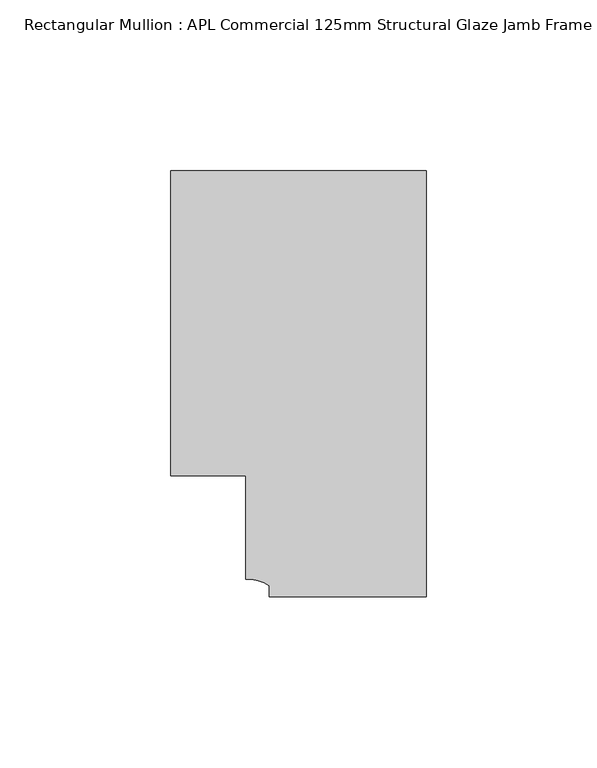
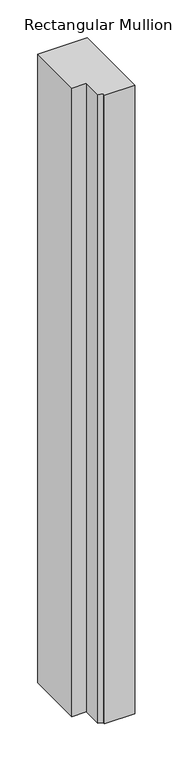
"""IFC4 building model written with IfcOpenShell, lengths in millimetres: member geometry, Rectangular Mullion : APL Commercial 125mm Structural Glaze Jamb Frame (left)."""

from ifc_helpers import new_model, si_unit, point, frame, frame_2d, origin, place, context, project, spatial, polyline, circle_curve, trimmed, segment, composite_curve, outline, extrude, source, transform, mapped, element, save


def rectangular_mullion_apl_commercial_125mm_structural_glaze_a7ed5c55(model_context):
    return source(origin(), model_context, "Body", "SweptSolid", [
        extrude(outline(composite_curve([segment(polyline([(0.0, -20.5), (-45.9999842, -20.5), (-45.9999842, -17.3125325)]), True, "CONTINUOUS"), segment(trimmed(circle_curve(frame_2d((-52.1098019, -25.7981812)), 10.4563907), [point((-45.9999842, -17.3125325))], [point((-52.9999391, -15.3797475))], True, "CARTESIAN"), True, "CONTINUOUS"), segment(polyline([(-52.9999391, -15.3797475), (-52.9999391, 15.0000829), (-75.0, 15.0000829), (-75.0, 104.5), (0.0, 104.5), (0.0, -20.5)]), True, "CONTINUOUS")], self_intersect=False)), frame((0.0, 0.0, -1010.846948), z_axis=(0.0, 0.0, 1.0), x_axis=(1.0, 0.0, 0.0)), (0.0, 0.0, 1.0), 1010.846948),
    ])


if __name__ == "__main__":
    model = new_model("IFC4")
    model_context = context("Model", 3, world=origin())
    ifc_project = project(units=[si_unit("LENGTHUNIT", "METRE", prefix="MILLI")], contexts=[model_context])
    site = spatial("IfcSite", under=ifc_project)
    building = spatial("IfcBuilding", under=site)
    placement = place(None, origin())
    rectangular_mullion_apl_commercial_125mm_structural_glaze_shape = rectangular_mullion_apl_commercial_125mm_structural_glaze_a7ed5c55(model_context)
    element("IfcMember", 1, ObjectType="Rectangular Mullion : APL Commercial 125mm Structural Glaze Jamb Frame (left)", at=placement, inside=building, context=model_context, shape_type="MappedRepresentation", body=[
        mapped(rectangular_mullion_apl_commercial_125mm_structural_glaze_shape, transform((0.0, 0.0, 0.0), x_axis=(1.0, 0.0, 0.0), y_axis=(0.0, 1.0, 0.0), z_axis=(0.0, 0.0, 1.0))),
    ])
    save(model, "model.ifc")
